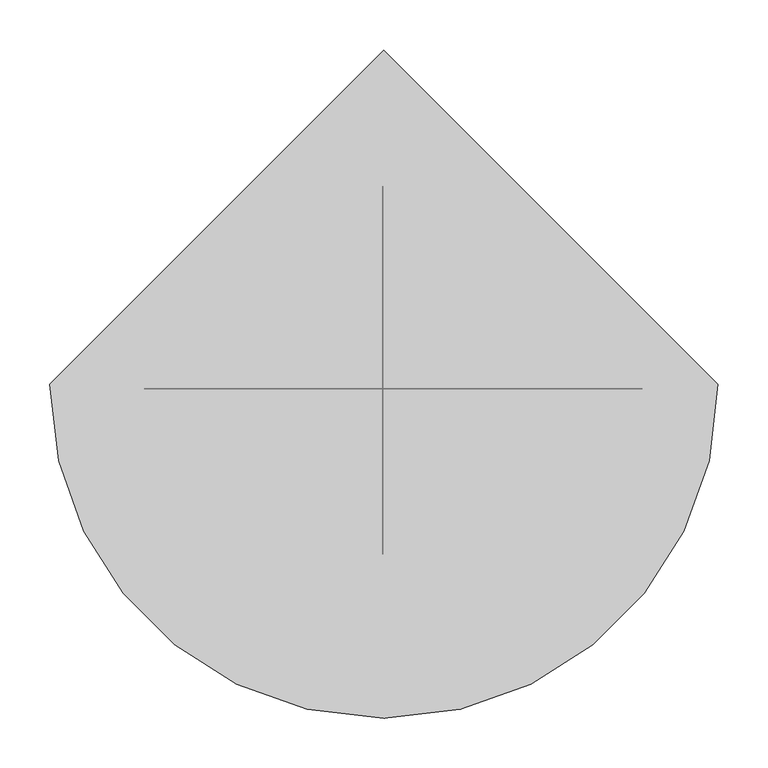
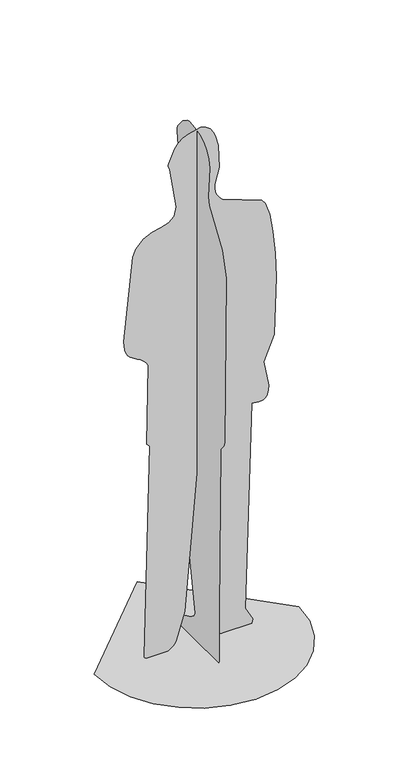
"""IFC4 building model written with IfcOpenShell, lengths in millimetres: proxy geometry."""

from ifc_helpers import new_model, si_unit, origin, place, context, project, spatial, triangles, source, transform, mapped, element, save


def entourage_e00c4429(model_context):
    return source(origin(), model_context, "Body", "Tessellation", [
        triangles([(-180.7519758, -4.45e-05, 5.61e-05), (-184.2427693, -8.8e-06, 2.7953145), (-186.1721755, 1.66e-05, 5.8375002), (-186.8316374, 3.35e-05, 9.127569), (-168.2846227, 8.5e-06, 733.0652109), (-173.8813015, 8.5e-06, 735.2240908), (-177.6698602, 8.1e-06, 740.93319), (-174.1985423, -8.1e-06, 1013.6682867), (-179.591309, -8.8e-06, 1024.1651751), (-188.0395216, -9.6e-06, 1032.7759867), (-198.5267085, -9.9e-06, 1040.1126028), (-210.0363257, -1.03e-05, 1046.7864687), (-221.5520472, -1.07e-05, 1053.4092476), (-232.0572199, -1.1e-05, 1060.5929661), (-240.5353907, -1.14e-05, 1068.9488514), (-245.9518842, -1.21e-05, 1078.9880642), (-249.7386988, -1.29e-05, 1091.9821838), (-252.1552483, -1.4e-05, 1106.9298906), (-253.4607645, -1.47e-05, 1122.8295742), (-224.2188539, -3.16e-05, 1405.054644), (-213.7949444, -3.31e-05, 1430.2019463), (-189.1319694, -3.46e-05, 1456.0842327), (-160.624934, -3.53e-05, 1468.8737137), (-131.9229886, -3.57e-05, 1475.6378357), (-106.6752928, -3.64e-05, 1483.4436092), (-88.5310242, -3.71e-05, 1499.3593529), (-81.1392697, -3.9e-05, 1530.4516411), (-102.942045, -4.71e-05, 1666.4696468), (-107.9472446, -4.78e-05, 1679.2650867), (-108.1474504, -4.82e-05, 1680.5741638), (-107.984815, -4.82e-05, 1682.7587688), (-107.5268306, -4.82e-05, 1685.5190655), (-106.840944, -4.86e-05, 1688.5553627), (-86.6409052, -5.11e-05, 1733.0902897), (-74.2774293, -5.19e-05, 1747.7183212), (-59.5121605, -5.26e-05, 1759.6594528), (-42.363121, -5.33e-05, 1768.7777916), (-0.9855255, -5.37e-05, 1777.9990311), (15.8808757, -5.33e-05, 1772.5528519), (29.1619555, -5.26e-05, 1761.5639877), (39.2640369, -5.19e-05, 1747.0962662), (46.5934632, -5.08e-05, 1731.2140961), (56.009163, -4.89e-05, 1695.7207684), (59.1639487, -4.41e-05, 1618.2087845), (44.4858339, -4.12e-05, 1564.7278919), (44.3096682, -4.05e-05, 1551.1862766), (46.5532813, -3.94e-05, 1537.9279289), (51.2886345, -3.86e-05, 1525.4359589), (58.5876575, -3.83e-05, 1514.1926044), (68.5223164, -3.75e-05, 1504.6808304), (198.4030241, -3.46e-05, 1454.5808361), (210.7095586, -3.38e-05, 1440.8296406), (224.9005892, -3.13e-05, 1397.8447643), (235.5369131, -2.72e-05, 1333.6069702), (242.7580384, -2.28e-05, 1256.1532677), (246.7032373, -1.77e-05, 1173.5211021), (240.2781571, -5.9e-06, 974.9290089), (206.081389, -1.1e-06, 891.6222479), (221.1961823, 4e-06, 805.6633232), (220.4650678, 5.1e-06, 788.6200321), (214.9948893, 6.3e-06, 771.8045614), (210.3552016, 6.6e-06, 765.7300776), (204.1668257, 6.6e-06, 762.0919275), (196.8959759, 7e-06, 760.3982082), (189.0090118, 7e-06, 760.1573799), (180.9721295, 7e-06, 760.8774668), (173.2515615, 6.6e-06, 762.0669291), (166.3135766, 6.6e-06, 763.2339363), (144.8011179, 4.49e-05, 59.4752896), (168.6275342, 4.74e-05, 15.3365843), (166.1985945, -4.45e-05, 5.61e-05), (66.1332089, -4.45e-05, 5.61e-05), (49.8425018, -1.03e-05, 3.9765591), (39.0246256, 1.36e-05, 14.0353), (32.5983009, 2.91e-05, 28.3297116), (-2.7441046, 9.2e-06, 720.0458748), (-54.0725034, 1.03e-05, 117.9433278), (-81.3720135, -2.13e-05, 28.0047427), (-85.5237041, -2.69e-05, 19.9172686), (-91.2433859, -3.27e-05, 12.5691172), (-99.2451413, -3.86e-05, 5.9378887), (-110.2431982, -4.45e-05, 5.61e-05), (-13.8237406, -127.6718764, 9.9621145), (-13.8237974, -127.2617633, 182.0842528), (-13.8237815, -135.2635732, 744.8695776), (-13.8237815, -136.4149928, 748.3460369), (-13.8237815, -139.3954704, 752.5736132), (-13.8237815, -143.4944026, 757.5058702), (-13.8237815, -148.0010861, 763.0962994), (-13.8237815, -152.2049901, 769.2983917), (-13.8237792, -155.3953659, 776.0656385), (-13.8237792, -156.8616281, 783.3516764), (-13.8237622, -165.9465024, 1358.6137287), (-13.8237599, -143.2743216, 1442.0927902), (-13.8237576, -71.1145501, 1552.8585583), (-13.8237576, -64.3401725, 1580.5206779), (-13.8237542, -73.5344014, 1684.7952724), (-13.8237531, -67.2131212, 1712.2161278), (-13.8237531, -55.241223, 1734.9070393), (-13.8237531, -37.9260212, 1752.7537697), (-13.8237531, -15.5748771, 1765.6426632), (-13.8237531, 11.5049084, 1773.4593372), (-13.8237531, 43.0059914, 1776.090136), (-13.8237531, 55.0860226, 1772.9164925), (-13.8237542, 79.7038559, 1756.3218658), (-13.8237554, 107.4896145, 1722.3477768), (-13.8237554, 111.5711695, 1713.01012), (-13.8237554, 112.2229284, 1702.3019073), (-13.8237588, 99.0832235, 1611.9284992), (-13.8237588, 100.6007272, 1597.8206394), (-13.8237599, 96.755177, 1579.0656796), (-13.8237622, 31.1784566, 1488.4592915), (-13.8237735, 125.7984261, 1146.7472277), (-13.8237735, 134.1993577, 1137.675107), (-13.8237747, 184.2799037, 1119.3925747), (-13.8237747, 194.4649651, 1111.9394686), (-13.8237747, 201.1343255, 1100.3801451), (-13.8237769, 203.5508567, 1084.2058416), (-13.8237769, 200.9674025, 1068.9640394), (-13.8237769, 194.2820729, 1055.8707253), (-13.8237769, 184.3928146, 1046.1415226), (-13.8237769, 172.1978105, 1040.992709), (-13.8237769, 158.595007, 1041.6399078), (-13.8237769, 144.48246, 1049.299106), (-13.8237838, 123.0429529, 785.7648285), (-13.823786, 116.906318, 707.2429499), (-13.8237928, 10.2023683, 90.6853168), (-13.823794, 17.983895, 76.1481908), (-13.8237951, 35.4714404, 63.806743), (-13.8238042, 104.5965316, 31.8661463), (-13.8238053, 119.3344402, 20.2173661), (-13.8238076, 122.9915025, 6.7192091), (-13.8238042, 122.0607091, 4.3674998), (-13.8237894, 120.3451706, 2.3141478), (-13.8237724, 119.1853577, 1.4285653), (-13.8237474, 117.8199432, 0.6534771), (-13.8237099, 116.2458387, 5.61e-05), (-13.8237077, -124.501612, 0.0), (-348.4734607, 4.7230039, 0.0001684), (-339.5987117, -72.1961519, 0.0001684), (-314.3237646, -142.8340959, 5.61e-05), (-274.6722241, -205.1669827, 5.61e-05), (-222.6681673, -257.171094, 5.61e-05), (-160.3352533, -296.8225073, 5.61e-05), (-89.6973139, -322.097527, 5.61e-05), (-12.7781649, -330.972276, 5.61e-05), (64.1409886, -322.0975634, 5.61e-05), (134.7789371, -296.8225618, 5.61e-05), (197.1118239, -257.1710577, 5.61e-05), (249.1159897, -205.1670008, 5.61e-05), (288.7673667, -142.8340595, 5.61e-05), (314.0423864, -72.1960974, 0.0001684), (322.9171354, 4.7230331, 0.0001684), (-12.7782239, 340.4182474, 0.0001684)], [[70, 71, 72], [69, 70, 72], [69, 72, 73], [69, 73, 74], [69, 74, 75], [69, 75, 76], [68, 69, 76], [82, 1, 2], [82, 2, 3], [82, 3, 4], [81, 82, 4], [80, 81, 4], [79, 80, 4], [78, 79, 4], [77, 78, 4], [77, 4, 5], [76, 77, 5], [5, 6, 7], [76, 5, 7], [76, 7, 8], [68, 76, 8], [67, 68, 8], [66, 67, 8], [65, 66, 8], [64, 65, 8], [63, 64, 8], [62, 63, 8], [61, 62, 8], [60, 61, 8], [59, 60, 8], [58, 59, 8], [57, 58, 8], [56, 57, 8], [56, 8, 9], [55, 56, 9], [55, 9, 10], [54, 55, 10], [54, 10, 11], [53, 54, 11], [53, 11, 12], [52, 53, 12], [51, 52, 12], [50, 51, 12], [50, 12, 13], [50, 13, 14], [50, 14, 15], [50, 15, 16], [50, 16, 17], [50, 17, 18], [50, 18, 19], [50, 19, 20], [50, 20, 21], [50, 21, 22], [50, 22, 23], [50, 23, 24], [50, 24, 25], [50, 25, 26], [49, 50, 26], [48, 49, 26], [48, 26, 27], [47, 48, 27], [46, 47, 27], [45, 46, 27], [44, 45, 27], [44, 27, 28], [43, 44, 28], [42, 43, 28], [42, 28, 29], [42, 29, 30], [42, 30, 31], [42, 31, 32], [42, 32, 33], [42, 33, 34], [42, 34, 35], [42, 35, 36], [42, 36, 37], [41, 42, 37], [40, 41, 37], [40, 37, 38], [40, 38, 39], [137, 138, 83], [137, 83, 84], [136, 137, 84], [135, 136, 84], [130, 131, 132], [130, 132, 133], [130, 133, 134], [130, 134, 135], [122, 123, 124], [121, 122, 124], [120, 121, 124], [119, 120, 124], [118, 119, 124], [117, 118, 124], [116, 117, 124], [115, 116, 124], [114, 115, 124], [113, 114, 124], [106, 107, 108], [105, 106, 108], [104, 105, 108], [103, 104, 108], [102, 103, 108], [101, 102, 108], [100, 101, 108], [99, 100, 108], [98, 99, 108], [97, 98, 108], [97, 108, 109], [97, 109, 110], [97, 110, 111], [96, 97, 111], [95, 96, 111], [95, 111, 112], [94, 95, 112], [93, 94, 112], [93, 112, 113], [92, 93, 113], [92, 113, 124], [92, 124, 125], [91, 92, 125], [90, 91, 125], [89, 90, 125], [88, 89, 125], [87, 88, 125], [86, 87, 125], [86, 125, 126], [85, 86, 126], [85, 126, 127], [84, 85, 127], [84, 127, 128], [135, 84, 128], [135, 128, 129], [130, 135, 129], [153, 154, 139], [152, 153, 139], [152, 139, 140], [151, 152, 140], [151, 140, 141], [151, 141, 142], [150, 151, 142], [149, 150, 142], [149, 142, 143], [149, 143, 144], [149, 144, 145], [149, 145, 146], [149, 146, 147], [149, 147, 148]], closed=False),
    ])


if __name__ == "__main__":
    model = new_model("IFC4")
    model_context = context("Model", 3, world=origin())
    ifc_project = project(units=[si_unit("LENGTHUNIT", "METRE", prefix="MILLI")], contexts=[model_context])
    site = spatial("IfcSite", under=ifc_project)
    building = spatial("IfcBuilding", under=site)
    placement = place(None, origin())
    entourage_shape = entourage_e00c4429(model_context)
    element("IfcBuildingElementProxy", 1, Name="Entourage", at=placement, inside=building, context=model_context, shape_type="MappedRepresentation", body=[
        mapped(entourage_shape, transform((0.0, 0.0, 0.0), x_axis=(1.0, 0.0, 0.0), y_axis=(0.0, 1.0, 0.0), z_axis=(0.0, 0.0, 1.0))),
    ])
    save(model, "model.ifc")
